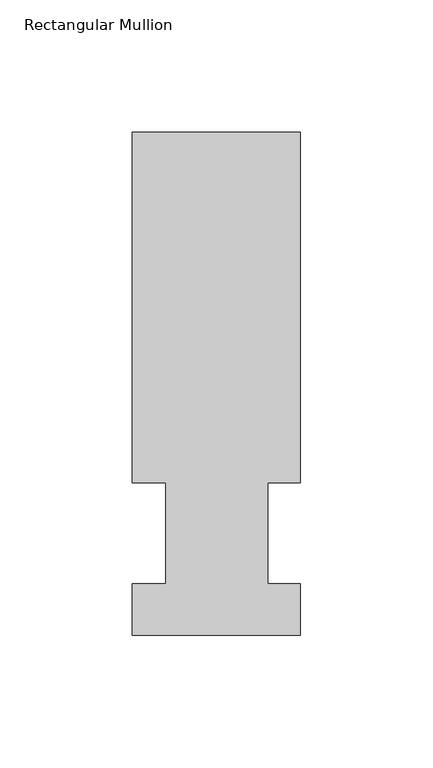
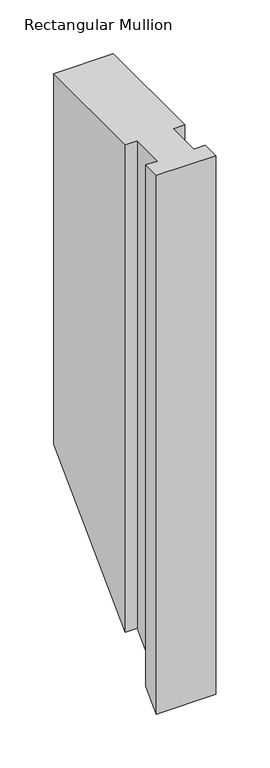
"""IFC4 building model written with IfcOpenShell, lengths in millimetres: member geometry, Rectangular Mullion."""

from ifc_helpers import new_model, si_unit, origin, place, context, project, spatial, faceted_brep, source, transform, mapped, element, save


def rectangular_mullion_fc759b72(model_context):
    return source(origin(), model_context, "Body", "Brep", [
        faceted_brep([(-63.5, 57.6460937, 0.0), (-50.8, 57.6460937, 0.0), (-50.8, 19.5460937, 0.0), (-63.5, 19.5460937, 0.0), (-63.5, 0.0134938, 0.0), (0.0, 0.0134938, 0.0), (0.0, 19.5460937, 0.0), (-12.3418395, 19.5460937, 0.0), (-12.3418395, 57.6460937, 0.0), (0.0, 57.6460937, 0.0), (0.0, 190.0816937, 0.0), (-63.5, 190.0816937, 0.0), (-63.5, 57.6460937, -551.9539063), (-50.8, 57.6460937, -551.9539063), (-50.8, 19.5460937, -590.0539063), (-63.5, 19.5460937, -590.0539063), (-63.5, 0.0134938, -609.5865062), (0.0, 0.0134938, -609.5865062), (0.0, 19.5460937, -590.0539063), (-12.3418395, 19.5460937, -590.0539063), (-12.3418395, 57.6460937, -551.9539063), (0.0, 57.6460937, -551.9539063), (0.0, 190.0816937, -419.5183063), (-63.5, 190.0816937, -419.5183063)], [[[0, 1, 2, 3, 4, 5, 6, 7, 8, 9, 10, 11]], [[1, 0, 12, 13]], [[2, 1, 13, 14]], [[3, 2, 14, 15]], [[4, 3, 15, 16]], [[5, 4, 16, 17]], [[6, 5, 17, 18]], [[7, 6, 18, 19]], [[8, 7, 19, 20]], [[9, 8, 20, 21]], [[10, 9, 21, 22]], [[11, 10, 22, 23]], [[0, 11, 23, 12]], [[12, 23, 22, 21, 20, 19, 18, 17, 16, 15, 14, 13]]]),
    ])


if __name__ == "__main__":
    model = new_model("IFC4")
    model_context = context("Model", 3, world=origin())
    ifc_project = project(units=[si_unit("LENGTHUNIT", "METRE", prefix="MILLI")], contexts=[model_context])
    site = spatial("IfcSite", under=ifc_project)
    building = spatial("IfcBuilding", under=site)
    placement = place(None, origin())
    rectangular_mullion_shape = rectangular_mullion_fc759b72(model_context)
    element("IfcMember", 1, ObjectType="Rectangular Mullion", at=placement, inside=building, context=model_context, shape_type="MappedRepresentation", body=[
        mapped(rectangular_mullion_shape, transform((0.0, 0.0, 0.0), x_axis=(1.0, 0.0, 0.0), y_axis=(0.0, 1.0, 0.0), z_axis=(0.0, 0.0, 1.0))),
    ])
    save(model, "model.ifc")
